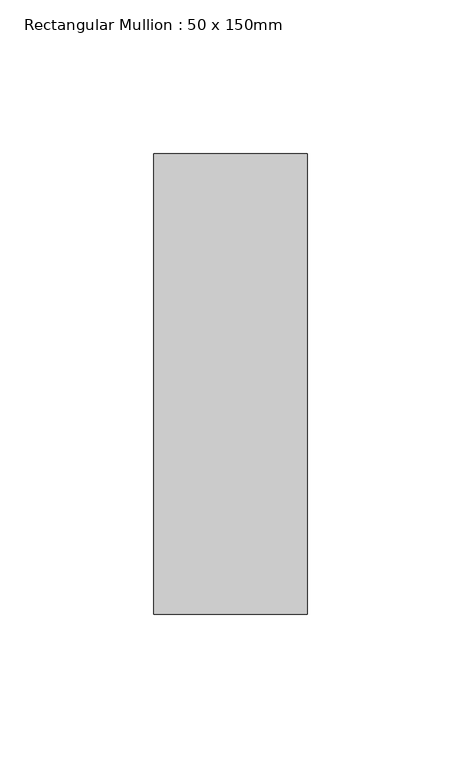
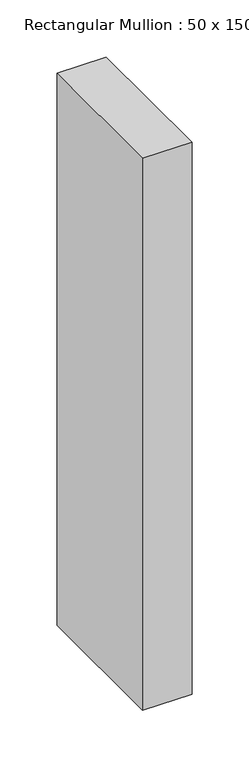
"""IFC4 building model written with IfcOpenShell, lengths in millimetres: member geometry, Rectangular Mullion : 50 x 150mm."""

from ifc_helpers import new_model, si_unit, frame, origin, place, context, project, spatial, polyline, outline, extrude, source, transform, mapped, element, save


def rectangular_mullion_50_x_150mm_0a80580e(model_context):
    return source(origin(), model_context, "Body", "SweptSolid", [
        extrude(outline(polyline([(0.0, 75.0), (0.0, -75.0), (-50.0, -75.0), (-50.0, 75.0), (0.0, 75.0)])), frame((0.0, 0.0, -591.0), z_axis=(0.0, 0.0, 1.0), x_axis=(1.0, 0.0, 0.0)), (0.0, 0.0, 1.0), 591.0),
    ])


if __name__ == "__main__":
    model = new_model("IFC4")
    model_context = context("Model", 3, world=origin())
    ifc_project = project(units=[si_unit("LENGTHUNIT", "METRE", prefix="MILLI")], contexts=[model_context])
    site = spatial("IfcSite", under=ifc_project)
    building = spatial("IfcBuilding", under=site)
    placement = place(None, origin())
    rectangular_mullion_50_x_150mm_shape = rectangular_mullion_50_x_150mm_0a80580e(model_context)
    element("IfcMember", 1, ObjectType="Rectangular Mullion : 50 x 150mm", at=placement, inside=building, context=model_context, shape_type="MappedRepresentation", body=[
        mapped(rectangular_mullion_50_x_150mm_shape, transform((0.0, 0.0, 0.0), x_axis=(1.0, 0.0, 0.0), y_axis=(0.0, 1.0, 0.0), z_axis=(0.0, 0.0, 1.0))),
    ])
    save(model, "model.ifc")
